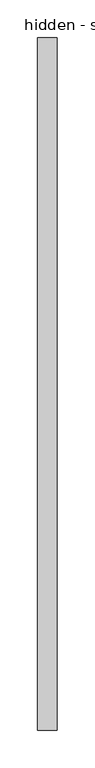
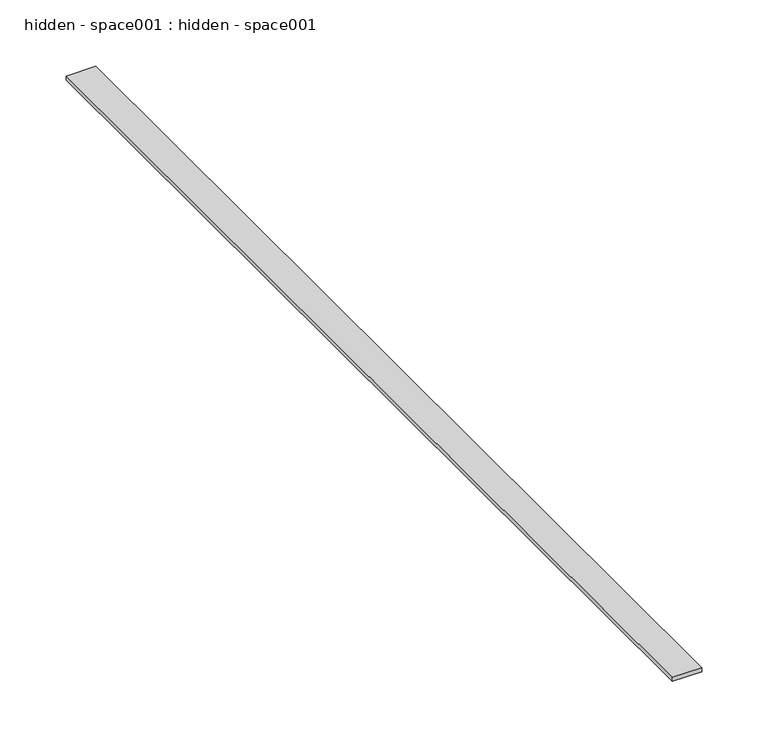
"""IFC4 building model written with IfcOpenShell, lengths in millimetres: proxy geometry, hidden - space001 : hidden - space001."""

from ifc_helpers import new_model, si_unit, frame, origin, place, context, project, spatial, polyline, outline, extrude, source, transform, mapped, element, save


def hidden_space001_hidden_space001_c8ca3621(model_context):
    return source(origin(), model_context, "Body", "SweptSolid", [
        extrude(outline(polyline([(37180.015625, -18662.4264268), (37205.8513666, -18662.4264268), (37205.8513666, -19576.8264268), (37180.015625, -19576.8264268), (37180.015625, -18662.4264268)])), frame((0.0, 0.0, 325.287161), z_axis=(0.0, 0.0, 1.0), x_axis=(1.0, 0.0, 0.0)), (0.0, 0.0, 1.0), 3.722113),
    ])


if __name__ == "__main__":
    model = new_model("IFC4")
    model_context = context("Model", 3, world=origin())
    ifc_project = project(units=[si_unit("LENGTHUNIT", "METRE", prefix="MILLI")], contexts=[model_context])
    site = spatial("IfcSite", under=ifc_project)
    building = spatial("IfcBuilding", under=site)
    placement = place(None, origin())
    hidden_space001_hidden_space001_shape = hidden_space001_hidden_space001_c8ca3621(model_context)
    element("IfcBuildingElementProxy", 1, Name="hidden - space001 : hidden - space001", ObjectType="hidden - space001 : hidden - space001", at=placement, inside=building, context=model_context, shape_type="MappedRepresentation", body=[
        mapped(hidden_space001_hidden_space001_shape, transform((0.0, 0.0, 0.0), x_axis=(1.0, 0.0, 0.0), y_axis=(0.0, 1.0, 0.0), z_axis=(0.0, 0.0, 1.0))),
    ])
    save(model, "model.ifc")
